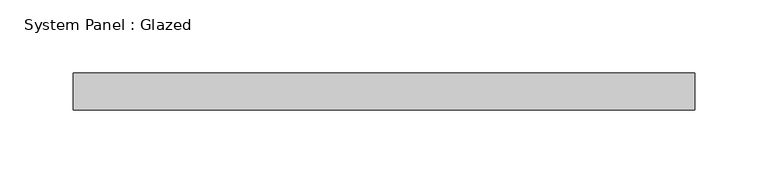
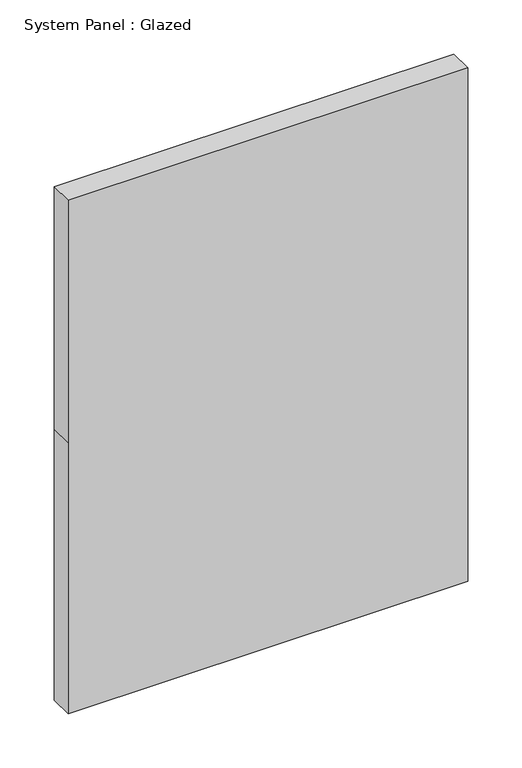
"""IFC4 building model written with IfcOpenShell, lengths in millimetres: plate geometry, System Panel : Glazed."""

from ifc_helpers import new_model, si_unit, frame, origin, place, context, project, spatial, polyline, outline, extrude, source, transform, mapped, element, save


def system_panel_glazed_fe48f889(model_context):
    return source(origin(), model_context, "Body", "SweptSolid", [
        extrude(outline(polyline([(0.0, -212.725), (0.0, 212.725), (304.8, 212.725), (577.85, 212.725), (577.85, -212.725), (304.8, -212.725), (0.0, -212.725)])), frame((0.0, 19.05, 0.0), z_axis=(0.0, 1.0, 0.0), x_axis=(0.0, 0.0, 1.0)), (0.0, 0.0, 1.0), 25.4),
    ])


if __name__ == "__main__":
    model = new_model("IFC4")
    model_context = context("Model", 3, world=origin())
    ifc_project = project(units=[si_unit("LENGTHUNIT", "METRE", prefix="MILLI")], contexts=[model_context])
    site = spatial("IfcSite", under=ifc_project)
    building = spatial("IfcBuilding", under=site)
    placement = place(None, origin())
    system_panel_glazed_shape = system_panel_glazed_fe48f889(model_context)
    element("IfcPlate", 1, ObjectType="System Panel : Glazed", at=placement, inside=building, context=model_context, shape_type="MappedRepresentation", body=[
        mapped(system_panel_glazed_shape, transform((0.0, 0.0, 0.0), x_axis=(1.0, 0.0, 0.0), y_axis=(0.0, 1.0, 0.0), z_axis=(0.0, 0.0, 1.0))),
    ])
    save(model, "model.ifc")
